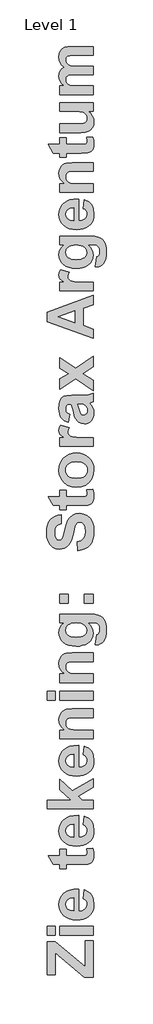
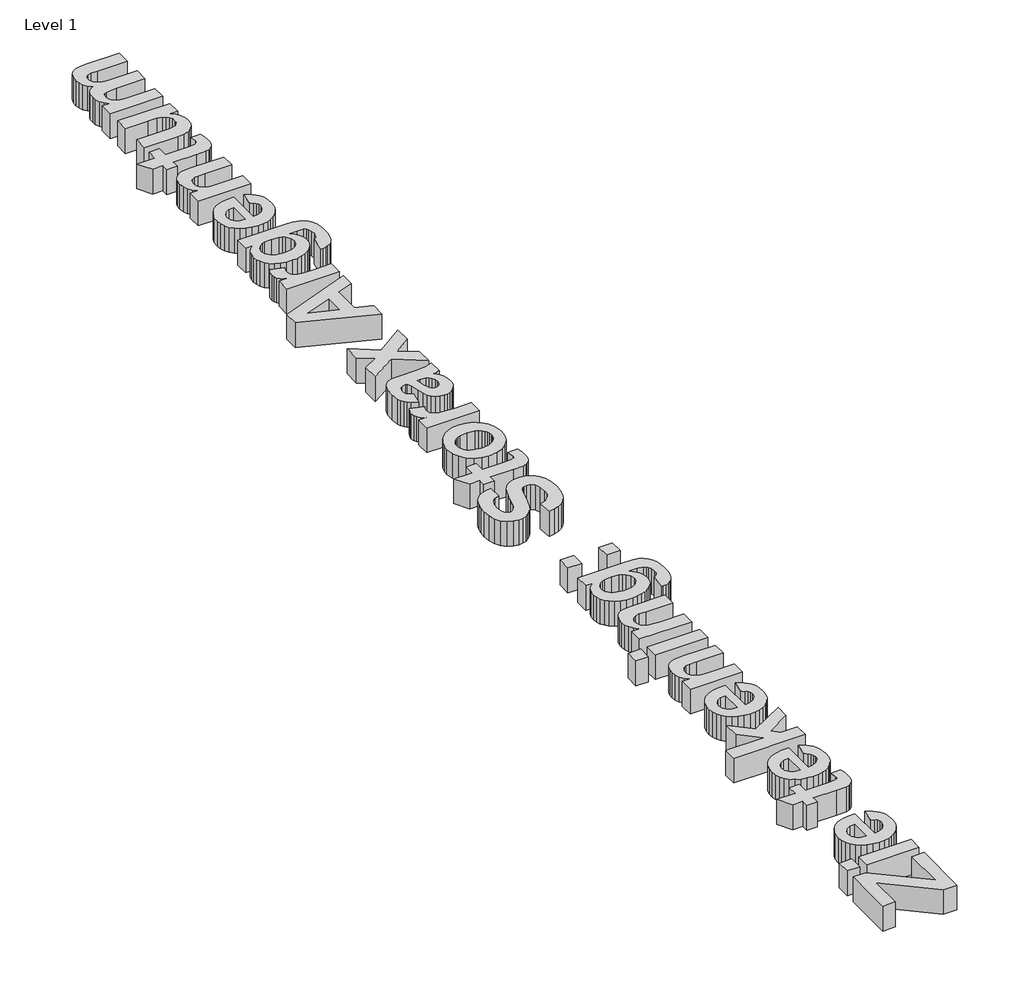
# One storey, part 7 of 13: 1 proxy.
"""IFC4 building model written with IfcOpenShell, lengths in millimetres."""

from ifc_helpers import new_model, si_unit, origin, origin_with_axes, place, context, project, spatial, polyline, outline, extrude, element, save

model = new_model("IFC4")

# Units and contexts
model_context = context("Model", 3, world=origin())
ifc_project = project(units=[si_unit("LENGTHUNIT", "METRE", prefix="MILLI")], contexts=[model_context])

# Site, building, storey
site = spatial("IfcSite", under=ifc_project)
building = spatial("IfcBuilding", under=site)
storey = spatial("IfcBuildingStorey", under=building, Name="Level 1", Elevation=0.0)

# Proxy
placement = place(None, origin())
element("IfcBuildingElementProxy", 1, Name="400mm", ObjectType="400mm", at=placement, inside=storey, context=model_context, shape_type="SweptSolid", body=[
    extrude(outline(polyline([(22173.6643168, -6913.9641128), (22095.9302673, -6913.9641128), (21836.8167689, -6695.2358823), (21836.8167689, -6888.0527629), (21765.5605568, -6888.0527629), (21765.5605568, -6596.5500772), (21836.8167689, -6596.5500772), (22102.4081047, -6820.7439831), (22102.4081047, -6590.0722398), (22173.6643168, -6590.0722398), (22173.6643168, -6913.9641128)])), origin_with_axes(), (0.0, 0.0, 1.0), 150.0),
    extrude(outline(polyline([(22173.6643168, -6538.2495401), (21875.6837936, -6538.2495401), (21875.6837936, -6460.5154906), (22173.6643168, -6460.5154906), (22173.6643168, -6538.2495401)])), origin_with_axes(), (0.0, 0.0, 1.0), 150.0),
    extrude(outline(polyline([(21836.8167689, -6538.2495401), (21765.5605568, -6538.2495401), (21765.5605568, -6460.5154906), (21836.8167689, -6460.5154906), (21836.8167689, -6538.2495401)])), origin_with_axes(), (0.0, 0.0, 1.0), 150.0),
    extrude(outline(polyline([(22082.9745924, -6214.3576671), (22095.9302673, -6136.6236176), (22132.2036266, -6155.5510489), (22146.6490777, -6168.2030752), (22158.6337096, -6182.9806419), (22168.0436541, -6199.8141629), (22174.7650431, -6218.634052), (22180.1421543, -6262.2329346), (22176.9728217, -6297.4371977), (22167.4648239, -6327.7451267), (22151.618161, -6353.1567215), (22129.4328329, -6373.6719821), (22107.8041939, -6386.1595321), (22083.5059775, -6395.0792106), (22056.5381834, -6400.4310177), (22026.9008118, -6402.2149534), (21991.9559152, -6399.8490245), (21961.0090589, -6392.7512378), (21934.0602429, -6380.9215932), (21911.1094672, -6364.3600908), (21892.7766811, -6344.1801088), (21879.6818339, -6321.4950257), (21871.8249256, -6296.3048414), (21869.2059562, -6268.6095558), (21871.8945118, -6237.8335019), (21879.9601785, -6210.4861471), (21893.4029564, -6186.5674914), (21912.2228456, -6166.0775348), (21936.5969742, -6149.7500948), (21966.7024708, -6138.3189891), (22002.5393352, -6131.7842175), (22044.1075676, -6130.1457801), (22044.1075676, -6324.4809039), (22076.8510116, -6319.4960056), (22101.3959426, -6306.1607698), (22116.7301985, -6286.499521), (22121.8416171, -6262.5365832), (22119.5389483, -6246.2154693), (22112.630942, -6232.6778012), (22100.611517, -6222.024795), (22082.9745924, -6214.3576671)]), holes=[polyline([(21998.7627054, -6207.8798296), (21968.0309335, -6212.6116875), (21945.6748031, -6225.1878016), (21932.0485707, -6243.4573276), (21927.5064933, -6265.2694209), (21932.2889592, -6288.2961087), (21946.6363571, -6306.9704995), (21969.2834841, -6319.217661), (21998.7627054, -6323.1650932), (21998.7627054, -6207.8798296)])]), origin_with_axes(), (0.0, 0.0, 1.0), 150.0),
    extrude(outline(polyline([(21875.6837936, -5773.8647198), (21933.9843308, -5773.8647198), (21933.9843308, -5832.165257), (22061.8204044, -5832.165257), (22107.0134423, -5830.3939733), (22117.6411444, -5822.3472846), (22121.8416171, -5807.0636368), (22114.3516175, -5770.6258011), (22169.6156684, -5767.3868824), (22177.5105328, -5797.3721847), (22180.1421543, -5831.0518786), (22178.3202625, -5851.7505936), (22172.8545871, -5870.3237682), (22164.5042498, -5885.4935478), (22154.028372, -5895.9820776), (22140.4400958, -5902.9027359), (22122.752563, -5907.3689012), (22066.1727014, -5909.8993065), (21933.9843308, -5909.8993065), (21933.9843308, -5948.7663312), (21875.6837936, -5948.7663312), (21875.6837936, -5909.8993065), (21817.3832565, -5909.8993065), (21772.0383943, -5832.165257), (21875.6837936, -5832.165257), (21875.6837936, -5773.8647198)])), origin_with_axes(), (0.0, 0.0, 1.0), 150.0),
    extrude(outline(polyline([(22082.9745924, -5560.0960836), (22095.9302673, -5482.3620341), (22132.2036266, -5501.2894654), (22146.6490777, -5513.9414917), (22158.6337096, -5528.7190584), (22168.0436541, -5545.5525794), (22174.7650431, -5564.3724685), (22180.1421543, -5607.9713511), (22176.9728217, -5643.1756143), (22167.4648239, -5673.4835432), (22151.618161, -5698.895138), (22129.4328329, -5719.4103987), (22107.8041939, -5731.8979486), (22083.5059775, -5740.8176271), (22056.5381834, -5746.1694343), (22026.9008118, -5747.95337), (21991.9559152, -5745.5874411), (21961.0090589, -5738.4896543), (21934.0602429, -5726.6600097), (21911.1094672, -5710.0985073), (21892.7766811, -5689.9185254), (21879.6818339, -5667.2334422), (21871.8249256, -5642.0432579), (21869.2059562, -5614.3479724), (21871.8945118, -5583.5719184), (21879.9601785, -5556.2245636), (21893.4029564, -5532.3059079), (21912.2228456, -5511.8159513), (21936.5969742, -5495.4885114), (21966.7024708, -5484.0574056), (22002.5393352, -5477.5226341), (22044.1075676, -5475.8841967), (22044.1075676, -5670.2193205), (22076.8510116, -5665.2344221), (22101.3959426, -5651.8991864), (22116.7301985, -5632.2379375), (22121.8416171, -5608.2749997), (22119.5389483, -5591.9538858), (22112.630942, -5578.4162177), (22100.611517, -5567.7632116), (22082.9745924, -5560.0960836)]), holes=[polyline([(21998.7627054, -5553.6182462), (21968.0309335, -5558.350104), (21945.6748031, -5570.9262181), (21932.0485707, -5589.1957441), (21927.5064933, -5611.0078374), (21932.2889592, -5634.0345253), (21946.6363571, -5652.7089161), (21969.2834841, -5664.9560775), (21998.7627054, -5668.9035097), (21998.7627054, -5553.6182462)])]), origin_with_axes(), (0.0, 0.0, 1.0), 150.0),
    extrude(outline(polyline([(22173.6643168, -5417.5836595), (21765.5605568, -5417.5836595), (21765.5605568, -5339.84961), (21980.6450037, -5339.84961), (21875.6837936, -5245.9209668), (21875.6837936, -5155.2312424), (21985.1997332, -5255.131642), (22173.6643168, -5148.7534049), (22173.6643168, -5226.4874544), (22040.1601354, -5305.1324499), (22078.2174305, -5339.84961), (22173.6643168, -5339.84961), (22173.6643168, -5417.5836595)])), origin_with_axes(), (0.0, 0.0, 1.0), 150.0),
    extrude(outline(polyline([(22082.9745924, -4938.2236875), (22095.9302673, -4860.4896379), (22132.2036266, -4879.4170693), (22146.6490777, -4892.0690956), (22158.6337096, -4906.8466623), (22168.0436541, -4923.6801832), (22174.7650431, -4942.5000724), (22180.1421543, -4986.0989549), (22176.9728217, -5021.3032181), (22167.4648239, -5051.6111471), (22151.618161, -5077.0227419), (22129.4328329, -5097.5380025), (22107.8041939, -5110.0255524), (22083.5059775, -5118.945231), (22056.5381834, -5124.2970381), (22026.9008118, -5126.0809738), (21991.9559152, -5123.7150449), (21961.0090589, -5116.6172581), (21934.0602429, -5104.7876136), (21911.1094672, -5088.2261112), (21892.7766811, -5068.0461292), (21879.6818339, -5045.3610461), (21871.8249256, -5020.1708617), (21869.2059562, -4992.4755762), (21871.8945118, -4961.6995222), (21879.9601785, -4934.3521674), (21893.4029564, -4910.4335117), (21912.2228456, -4889.9435551), (21936.5969742, -4873.6161152), (21966.7024708, -4862.1850095), (22002.5393352, -4855.6502379), (22044.1075676, -4854.0118005), (22044.1075676, -5048.3469243), (22076.8510116, -5043.3620259), (22101.3959426, -5030.0267902), (22116.7301985, -5010.3655414), (22121.8416171, -4986.4026036), (22119.5389483, -4970.0814897), (22112.630942, -4956.5438215), (22100.611517, -4945.8908154), (22082.9745924, -4938.2236875)]), holes=[polyline([(21998.7627054, -4931.74585), (21968.0309335, -4936.4777078), (21945.6748031, -4949.053822), (21932.0485707, -4967.3233479), (21927.5064933, -4989.1354413), (21932.2889592, -5012.1621291), (21946.6363571, -5030.8365199), (21969.2834841, -5043.0836814), (21998.7627054, -5047.0311136), (21998.7627054, -4931.74585)])]), origin_with_axes(), (0.0, 0.0, 1.0), 150.0),
    extrude(outline(polyline([(22173.6643168, -4530.1199275), (22173.6643168, -4607.853977), (22020.5241906, -4607.853977), (21980.4425713, -4609.0685715), (21957.5677078, -4612.7123551), (21944.8903774, -4619.1142804), (21935.4013577, -4628.6033001), (21929.4802094, -4640.7239413), (21927.5064933, -4655.020731), (21930.3278952, -4673.8342941), (21938.7921008, -4690.5982289), (21951.924904, -4703.8575525), (21968.752099, -4712.1572817), (21995.3340062, -4716.5222308), (22037.7309463, -4717.9772138), (22173.6643168, -4717.9772138), (22173.6643168, -4795.7112633), (21875.6837936, -4795.7112633), (21875.6837936, -4717.9772138), (21918.5994668, -4717.9772138), (21896.9898059, -4698.309639), (21881.5543338, -4676.2508311), (21872.2930506, -4651.8007903), (21869.2059562, -4624.9595165), (21871.5592331, -4601.3255314), (21878.6190637, -4579.8170867), (21889.322678, -4561.8512094), (21902.6073056, -4548.8449264), (21918.1566459, -4539.9252479), (21935.6543982, -4534.219184), (21988.6410843, -4530.1199275), (22173.6643168, -4530.1199275)])), origin_with_axes(), (0.0, 0.0, 1.0), 150.0),
    extrude(outline(polyline([(22173.6643168, -4452.385878), (21875.6837936, -4452.385878), (21875.6837936, -4374.6518284), (22173.6643168, -4374.6518284), (22173.6643168, -4452.385878)])), origin_with_axes(), (0.0, 0.0, 1.0), 150.0),
    extrude(outline(polyline([(21836.8167689, -4452.385878), (21765.5605568, -4452.385878), (21765.5605568, -4374.6518284), (21836.8167689, -4374.6518284), (21836.8167689, -4452.385878)])), origin_with_axes(), (0.0, 0.0, 1.0), 150.0),
    extrude(outline(polyline([(22173.6643168, -4031.3264431), (22173.6643168, -4109.0604926), (22020.5241906, -4109.0604926), (21980.4425713, -4110.2750871), (21957.5677078, -4113.9188707), (21944.8903774, -4120.320796), (21935.4013577, -4129.8098157), (21929.4802094, -4141.9304569), (21927.5064933, -4156.2272466), (21930.3278952, -4175.0408097), (21938.7921008, -4191.8047445), (21951.924904, -4205.0640681), (21968.752099, -4213.3637973), (21995.3340062, -4217.7287464), (22037.7309463, -4219.1837294), (22173.6643168, -4219.1837294), (22173.6643168, -4296.9177789), (21875.6837936, -4296.9177789), (21875.6837936, -4219.1837294), (21918.5994668, -4219.1837294), (21896.9898059, -4199.5161545), (21881.5543338, -4177.4573467), (21872.2930506, -4153.0073059), (21869.2059562, -4126.1660321), (21871.5592331, -4102.532047), (21878.6190637, -4081.0236023), (21889.322678, -4063.057725), (21902.6073056, -4050.051442), (21918.1566459, -4041.1317634), (21935.6543982, -4035.4256996), (21988.6410843, -4031.3264431), (22173.6643168, -4031.3264431)])), origin_with_axes(), (0.0, 0.0, 1.0), 150.0),
    extrude(outline(polyline([(22193.0978292, -3960.070231), (22206.0535041, -3869.3805066), (22217.4909359, -3865.9138514), (22224.6772868, -3859.7649666), (22230.1429621, -3846.2779066), (22231.9648539, -3826.8696982), (22229.6621851, -3801.71747), (22222.7541788, -3783.7515926), (22214.682186, -3775.3000391), (22202.8145854, -3769.1764583), (22166.5791821, -3765.7351072), (22123.1574278, -3765.7351072), (22145.2541918, -3785.7822429), (22161.0375946, -3807.4614899), (22170.5076362, -3830.7728483), (22173.6643168, -3855.7163182), (22170.4949842, -3882.9624568), (22160.9869864, -3907.2100652), (22145.1403235, -3928.4591433), (22122.9549954, -3946.7096912), (22101.6869392, -3958.2230352), (22077.9643899, -3966.4468522), (22051.7873475, -3971.3811425), (22023.1558121, -3973.0259059), (21987.9167558, -3970.8718984), (21957.0995828, -3964.409876), (21930.704293, -3953.6398386), (21908.7308863, -3938.5617863), (21891.4387294, -3920.2764453), (21879.0871887, -3899.8845419), (21871.6762643, -3877.3860762), (21869.2059562, -3852.7810481), (21872.1349003, -3827.5276036), (21880.9217325, -3804.602132), (21895.5664529, -3784.0046332), (21916.0690615, -3765.7351072), (21875.6837936, -3765.7351072), (21875.6837936, -3688.0010577), (22140.3641836, -3688.0010577), (22185.9241303, -3690.1139461), (22218.3512736, -3696.4526112), (22241.4159176, -3706.5995363), (22258.8883659, -3720.1372045), (22271.9832131, -3737.9259534), (22281.9150537, -3760.826121), (22288.1778067, -3789.6600889), (22290.2653911, -3825.2502389), (22288.7091918, -3859.3664278), (22284.0405941, -3888.1308095), (22276.259598, -3911.5433842), (22265.3662033, -3929.6041517), (22252.0815757, -3943.0659077), (22237.1268807, -3952.6814476), (22220.5021181, -3958.4507716), (22202.2072881, -3960.3738796), (22193.0978292, -3960.070231)]), holes=[polyline([(22020.220542, -3895.2918564), (22062.9843908, -3890.8003871), (22079.3940689, -3885.1860504), (22092.4889161, -3877.3259791), (22109.6450638, -3857.2472133), (22115.3637797, -3832.9426708), (22109.4932395, -3806.8921487), (22091.8816189, -3785.2192277), (22078.7298375, -3776.694925), (22062.7566543, -3770.6061373), (22022.3460824, -3765.7351072), (21980.3793112, -3770.4037049), (21964.0550343, -3776.239452), (21950.8368298, -3784.409498), (21933.3390774, -3805.5510339), (21927.5064933, -3831.6268601), (21933.2252092, -3856.9182607), (21950.3813568, -3877.3259791), (21963.3243797, -3885.1860504), (21979.2785849, -3890.8003871), (22020.220542, -3895.2918564)])]), origin_with_axes(), (0.0, 0.0, 1.0), 150.0),
    extrude(outline(polyline([(21953.4178431, -3590.8334958), (21875.6837936, -3590.8334958), (21875.6837936, -3513.0994463), (21953.4178431, -3513.0994463), (21953.4178431, -3590.8334958)])), origin_with_axes(), (0.0, 0.0, 1.0), 150.0),
    extrude(outline(polyline([(22173.6643168, -3590.8334958), (22095.9302673, -3590.8334958), (22095.9302673, -3513.0994463), (22173.6643168, -3513.0994463), (22173.6643168, -3590.8334958)])), origin_with_axes(), (0.0, 0.0, 1.0), 150.0),
    extrude(outline(polyline([(22037.6297301, -3124.4291987), (22031.1518927, -3046.6951491), (22065.9196609, -3035.3589336), (22090.0597271, -3016.330286), (22104.1793884, -2989.4826863), (22108.8859422, -2954.689614), (22104.7234255, -2918.5807309), (22092.2358756, -2892.644077), (22074.1814341, -2877.0061725), (22053.3182427, -2871.7935377), (22040.0968753, -2873.9570342), (22028.9757441, -2880.4475237), (22019.5752886, -2892.3530804), (22011.5159479, -2910.7617787), (21994.2079759, -2978.1717748), (21976.3180107, -3035.7131903), (21965.873763, -3056.9306384), (21954.4300053, -3073.11258), (21936.7108424, -3089.8954929), (21917.1571358, -3101.8832878), (21895.7688854, -3109.0759648), (21872.5460911, -3111.4735237), (21842.4848766, -3107.0706186), (21814.4479864, -3093.8619031), (21790.6368729, -3072.3534584), (21773.2529888, -3043.0513656), (21762.6252867, -3006.4364015), (21759.0827193, -2962.9893432), (21761.2904979, -2927.0480995), (21767.9138337, -2895.8450397), (21778.9527266, -2869.3801637), (21794.4071767, -2847.6534716), (21813.5433665, -2830.5953771), (21835.6274784, -2818.1362942), (21860.6595124, -2810.2762229), (21888.6394685, -2807.0151631), (21888.6394685, -2884.7492126), (21861.9310411, -2893.3399385), (21843.9525117, -2908.1807653), (21833.7423265, -2930.638112), (21830.3389314, -2962.0783973), (21833.9574109, -2995.1760981), (21844.8128495, -3020.176502), (21855.6935921, -3030.3487312), (21869.7120372, -3033.7394742), (21882.9460567, -3030.6523798), (21894.1051439, -3021.3910966), (21907.1746871, -2994.5055407), (21920.6743991, -2945.2258983), (21934.7181483, -2892.631425), (21949.4198028, -2855.8013765), (21967.2212038, -2829.9912429), (21990.5641923, -2810.4565143), (22019.739765, -2798.1587447), (22055.0389183, -2794.0594882), (22088.7439163, -2798.9052143), (22120.2221577, -2813.4423925), (22146.6901967, -2836.8486411), (22165.3645875, -2868.3015785), (22176.4477626, -2908.1428092), (22180.1421543, -2956.7139382), (22177.8679525, -2993.0379056), (22171.0453473, -3024.8830558), (22159.6743387, -3052.2493887), (22143.7549266, -3075.1369042), (22123.4768915, -3093.7037528), (22099.0300137, -3108.1080847), (22070.4142933, -3118.3499), (22037.6297301, -3124.4291987)])), origin_with_axes(), (0.0, 0.0, 1.0), 150.0),
    extrude(outline(polyline([(21875.6837936, -2586.7686895), (21933.9843308, -2586.7686895), (21933.9843308, -2645.0692266), (22061.8204044, -2645.0692266), (22107.0134423, -2643.2979429), (22117.6411444, -2635.2512542), (22121.8416171, -2619.9676065), (22114.3516175, -2583.5297707), (22169.6156684, -2580.290852), (22177.5105328, -2610.2761543), (22180.1421543, -2643.9558483), (22178.3202625, -2664.6545633), (22172.8545871, -2683.2277379), (22164.5042498, -2698.3975174), (22154.028372, -2708.8860472), (22140.4400958, -2715.8067056), (22122.752563, -2720.2728709), (22066.1727014, -2722.8032761), (21933.9843308, -2722.8032761), (21933.9843308, -2761.6703009), (21875.6837936, -2761.6703009), (21875.6837936, -2722.8032761), (21817.3832565, -2722.8032761), (21772.0383943, -2645.0692266), (21875.6837936, -2645.0692266), (21875.6837936, -2586.7686895)])), origin_with_axes(), (0.0, 0.0, 1.0), 150.0),
    extrude(outline(polyline([(22020.4229744, -2560.8573396), (21981.8722503, -2556.0622217), (21944.5614247, -2541.6768678), (21912.2101935, -2518.5110076), (21888.5382523, -2487.3743709), (21874.0390302, -2450.2027177), (21869.2059562, -2408.931808), (21871.9451199, -2376.9443225), (21880.1626109, -2347.9869973), (21893.8584294, -2322.0598324), (21913.0325752, -2299.1628279), (21936.3945418, -2280.453644), (21962.6538223, -2267.0899412), (21991.8104169, -2259.0717196), (22023.8643255, -2256.398979), (22056.1744377, -2259.1001866), (22085.5935618, -2267.2038095), (22112.1216979, -2280.7098475), (22135.758846, -2299.6183008), (22155.1765434, -2322.6196846), (22169.0463272, -2348.4045142), (22177.3681975, -2376.9727895), (22180.1421543, -2408.3245107), (22175.5241647, -2447.9633091), (22161.6701959, -2485.7043035), (22138.8838965, -2518.0934908), (22107.4689152, -2541.6768678), (22067.8427689, -2556.0622217), (22020.4229744, -2560.8573396)]), holes=[polyline([(22024.6740552, -2483.1232901), (22066.2359616, -2477.7461789), (22082.8891912, -2471.02479), (22096.7906051, -2461.6148454), (22107.7504228, -2450.2311848), (22115.5788641, -2437.5886475), (22120.2759289, -2423.6872336), (22121.8416171, -2408.5269431), (22120.2759289, -2393.3729786), (22115.5788641, -2379.4905428), (22107.7504228, -2366.8796356), (22096.7906051, -2355.540257), (22082.8512351, -2346.1745945), (22066.0841373, -2339.4848356), (22024.0667579, -2334.1330285), (21982.9603245, -2339.4848356), (21966.4209632, -2346.1745945), (21952.5575054, -2355.540257), (21941.5976876, -2366.8796356), (21933.7692463, -2379.4905428), (21929.0721816, -2393.3729786), (21927.5064933, -2408.5269431), (21929.0721816, -2423.6872336), (21933.7692463, -2437.5886475), (21941.5976876, -2450.2311848), (21952.5575054, -2461.6148454), (21966.4589192, -2471.02479), (21983.1121489, -2477.7461789), (22024.6740552, -2483.1232901)])]), origin_with_axes(), (0.0, 0.0, 1.0), 150.0),
    extrude(outline(polyline([(22173.6643168, -2120.3643923), (22173.6643168, -2198.0984419), (21875.6837936, -2198.0984419), (21875.6837936, -2120.3643923), (21917.1824399, -2120.3643923), (21892.7766811, -2103.9420622), (21878.4672394, -2089.2910158), (21871.521277, -2074.5640572), (21869.2059562, -2057.9139906), (21873.3052127, -2033.6474042), (21885.6029822, -2010.2411555), (21959.592032, -2032.9135866), (21950.1030123, -2051.6385855), (21946.9400057, -2068.9465575), (21949.1541103, -2083.8886006), (21955.7964241, -2096.3255424), (21968.2080619, -2106.3206432), (21987.7301384, -2113.937163), (22023.4594607, -2118.757585), (22084.4928355, -2120.3643923), (22173.6643168, -2120.3643923)])), origin_with_axes(), (0.0, 0.0, 1.0), 150.0),
    extrude(outline(polyline([(21966.3735181, -1913.0735936), (21953.4178431, -1984.3298057), (21916.0690615, -1968.8816816), (21901.5698394, -1958.0736881), (21889.8540631, -1945.2097404), (21880.8205163, -1929.638259), (21874.3679829, -1910.7076647), (21869.2059562, -1862.7691371), (21872.3310067, -1819.423295), (21881.7061581, -1788.7800874), (21895.8764276, -1768.0813724), (21913.386832, -1754.5690083), (21940.6013405, -1747.1296168), (21983.8839225, -1744.6498197), (22075.7882414, -1744.6498197), (22133.6839137, -1740.5505631), (22173.6643168, -1725.2163073), (22173.6643168, -1802.9503568), (22148.9675615, -1810.2379239), (22139.1495891, -1812.9707616), (22157.0522063, -1833.0874834), (22169.8687089, -1854.5706241), (22177.5737929, -1877.4707916), (22180.1421543, -1901.8385943), (22178.582792, -1922.8314689), (22173.9047053, -1941.4773926), (22166.1078941, -1957.7763655), (22155.1923584, -1971.7283875), (22141.8982418, -1982.9096157), (22126.9656878, -1990.8962073), (22110.3946963, -1995.6881623), (22092.1852675, -1997.2854806), (22068.34885, -1994.4387747), (22047.2452701, -1985.8986569), (22029.8107779, -1972.2218165), (22016.9816232, -1953.9649426), (22007.1383468, -1928.8886265), (21998.6614892, -1894.7534596), (21988.6663884, -1850.5472797), (21979.329193, -1822.3838692), (21971.13068, -1822.3838692), (21950.938046, -1824.8004062), (21937.5268981, -1832.0500173), (21930.0115945, -1845.9798982), (21927.5064933, -1868.4372449), (21929.6573378, -1884.5559264), (21936.1098712, -1896.6765676), (21947.9774718, -1905.8366346), (21966.3735181, -1913.0735936)]), holes=[polyline([(22037.6297301, -1822.3838692), (22048.4092565, -1866.2104883), (22060.7070261, -1905.4823779), (22071.7648971, -1916.0341678), (22085.5049976, -1919.5514311), (22099.2830542, -1916.7300292), (22111.0620907, -1908.2658236), (22119.1467355, -1895.449321), (22121.8416171, -1879.571028), (22118.7039146, -1860.5170764), (22109.290807, -1842.4246788), (22098.7137131, -1831.5439362), (22086.0110787, -1825.2179231), (22051.6987834, -1822.3838692), (22037.6297301, -1822.3838692)])]), origin_with_axes(), (0.0, 0.0, 1.0), 150.0),
    extrude(outline(polyline([(22173.6643168, -1702.5438762), (22020.220542, -1597.2790174), (21875.6837936, -1689.5882013), (21875.6837936, -1597.1778012), (21957.5677078, -1552.2378039), (21875.6837936, -1503.4515905), (21875.6837936, -1411.0411905), (22016.7791908, -1506.083212), (22173.6643168, -1398.0855156), (22173.6643168, -1490.4959156), (22081.355133, -1552.2378039), (22173.6643168, -1610.1334762), (22173.6643168, -1702.5438762)])), origin_with_axes(), (0.0, 0.0, 1.0), 150.0),
    extrude(outline(polyline([(22173.6643168, -857.1860876), (22173.6643168, -938.8675694), (22082.9745924, -970.8518918), (22082.9745924, -1125.0041801), (22173.6643168, -1156.5836377), (22173.6643168, -1239.3784978), (21765.5605568, -1090.3882362), (21765.5605568, -1007.5933762), (22173.6643168, -857.1860876)]), holes=[polyline([(22011.7183803, -995.7510796), (21862.7281187, -1048.2822927), (22011.7183803, -1100.1049924), (22011.7183803, -995.7510796)])]), origin_with_axes(), (0.0, 0.0, 1.0), 150.0),
    extrude(outline(polyline([(22173.6643168, -740.5850134), (22173.6643168, -818.3190629), (21875.6837936, -818.3190629), (21875.6837936, -740.5850134), (21917.1824399, -740.5850134), (21892.7766811, -724.1626832), (21878.4672394, -709.5116368), (21871.521277, -694.7846782), (21869.2059562, -678.1346116), (21873.3052127, -653.8680252), (21885.6029822, -630.4617765), (21959.592032, -653.1342076), (21950.1030123, -671.8592066), (21946.9400057, -689.1671785), (21949.1541103, -704.1092216), (21955.7964241, -716.5461634), (21968.2080619, -726.5412642), (21987.7301384, -734.157784), (22023.4594607, -738.978206), (22084.4928355, -740.5850134), (22173.6643168, -740.5850134)])), origin_with_axes(), (0.0, 0.0, 1.0), 150.0),
    extrude(outline(polyline([(22193.0978292, -604.5504267), (22206.0535041, -513.8607023), (22217.4909359, -510.3940471), (22224.6772868, -504.2451623), (22230.1429621, -490.7581023), (22231.9648539, -471.3498939), (22229.6621851, -446.1976657), (22222.7541788, -428.2317883), (22214.682186, -419.7802348), (22202.8145854, -413.656654), (22166.5791821, -410.2153029), (22123.1574278, -410.2153029), (22145.2541918, -430.2624386), (22161.0375946, -451.9416856), (22170.5076362, -475.253044), (22173.6643168, -500.1965139), (22170.4949842, -527.4426525), (22160.9869864, -551.6902609), (22145.1403235, -572.939339), (22122.9549954, -591.1898869), (22101.6869392, -602.7032309), (22077.9643899, -610.9270479), (22051.7873475, -615.8613382), (22023.1558121, -617.5061016), (21987.9167558, -615.3520941), (21957.0995828, -608.8900717), (21930.704293, -598.1200343), (21908.7308863, -583.041982), (21891.4387294, -564.756641), (21879.0871887, -544.3647376), (21871.6762643, -521.8662719), (21869.2059562, -497.2612438), (21872.1349003, -472.0077993), (21880.9217325, -449.0823277), (21895.5664529, -428.4848289), (21916.0690615, -410.2153029), (21875.6837936, -410.2153029), (21875.6837936, -332.4812534), (22140.3641836, -332.4812534), (22185.9241303, -334.5941418), (22218.3512736, -340.9328069), (22241.4159176, -351.079732), (22258.8883659, -364.6174001), (22271.9832131, -382.4061491), (22281.9150537, -405.3063167), (22288.1778067, -434.1402846), (22290.2653911, -469.7304346), (22288.7091918, -503.8466234), (22284.0405941, -532.6110052), (22276.259598, -556.0235799), (22265.3662033, -574.0843474), (22252.0815757, -587.5461034), (22237.1268807, -597.1616433), (22220.5021181, -602.9309673), (22202.2072881, -604.8540753), (22193.0978292, -604.5504267)]), holes=[polyline([(22020.220542, -539.7720521), (22062.9843908, -535.2805828), (22079.3940689, -529.6662461), (22092.4889161, -521.8061748), (22109.6450638, -501.727409), (22115.3637797, -477.4228665), (22109.4932395, -451.3723444), (22091.8816189, -429.6994234), (22078.7298375, -421.1751207), (22062.7566543, -415.086333), (22022.3460824, -410.2153029), (21980.3793112, -414.8839006), (21964.0550343, -420.7196477), (21950.8368298, -428.8896937), (21933.3390774, -450.0312296), (21927.5064933, -476.1070558), (21933.2252092, -501.3984564), (21950.3813568, -521.8061748), (21963.3243797, -529.6662461), (21979.2785849, -535.2805828), (22020.220542, -539.7720521)])]), origin_with_axes(), (0.0, 0.0, 1.0), 150.0),
    extrude(outline(polyline([(22082.9745924, -86.3234299), (22095.9302673, -8.5893804), (22132.2036266, -27.5168117), (22146.6490777, -40.168838), (22158.6337096, -54.9464047), (22168.0436541, -71.7799257), (22174.7650431, -90.5998148), (22180.1421543, -134.1986974), (22176.9728217, -169.4029605), (22167.4648239, -199.7108895), (22151.618161, -225.1224843), (22129.4328329, -245.6377449), (22107.8041939, -258.1252949), (22083.5059775, -267.0449734), (22056.5381834, -272.3967805), (22026.9008118, -274.1807162), (21991.9559152, -271.8147873), (21961.0090589, -264.7170006), (21934.0602429, -252.887356), (21911.1094672, -236.3258536), (21892.7766811, -216.1458716), (21879.6818339, -193.4607885), (21871.8249256, -168.2706042), (21869.2059562, -140.5753186), (21871.8945118, -109.7992647), (21879.9601785, -82.4519098), (21893.4029564, -58.5332541), (21912.2228456, -38.0432976), (21936.5969742, -21.7158576), (21966.7024708, -10.2847519), (22002.5393352, -3.7499803), (22044.1075676, -2.1115429), (22044.1075676, -196.4466667), (22076.8510116, -191.4617684), (22101.3959426, -178.1265326), (22116.7301985, -158.4652838), (22121.8416171, -134.502346), (22119.5389483, -118.1812321), (22112.630942, -104.643564), (22100.611517, -93.9905578), (22082.9745924, -86.3234299)]), holes=[polyline([(21998.7627054, -79.8455924), (21968.0309335, -84.5774503), (21945.6748031, -97.1535644), (21932.0485707, -115.4230904), (21927.5064933, -137.2351837), (21932.2889592, -160.2618715), (21946.6363571, -178.9362623), (21969.2834841, -191.1834238), (21998.7627054, -195.130856), (21998.7627054, -79.8455924)])]), origin_with_axes(), (0.0, 0.0, 1.0), 150.0),
    extrude(outline(polyline([(22173.6643168, 321.7803301), (22173.6643168, 244.0462806), (22020.5241906, 244.0462806), (21980.4425713, 242.831686), (21957.5677078, 239.1879025), (21944.8903774, 232.7859772), (21935.4013577, 223.2969575), (21929.4802094, 211.1763163), (21927.5064933, 196.8795266), (21930.3278952, 178.0659635), (21938.7921008, 161.3020286), (21951.924904, 148.0427051), (21968.752099, 139.7429758), (21995.3340062, 135.3780268), (22037.7309463, 133.9230437), (22173.6643168, 133.9230437), (22173.6643168, 56.1889942), (21875.6837936, 56.1889942), (21875.6837936, 133.9230437), (21918.5994668, 133.9230437), (21896.9898059, 153.5906186), (21881.5543338, 175.6494264), (21872.2930506, 200.0994673), (21869.2059562, 226.940741), (21871.5592331, 250.5747261), (21878.6190637, 272.0831708), (21889.322678, 290.0490482), (21902.6073056, 303.0553312), (21918.1566459, 311.9750097), (21935.6543982, 317.6810736), (21988.6410843, 321.7803301), (22173.6643168, 321.7803301)])), origin_with_axes(), (0.0, 0.0, 1.0), 150.0),
    extrude(outline(polyline([(21875.6837936, 542.0268037), (21933.9843308, 542.0268037), (21933.9843308, 483.7262666), (22061.8204044, 483.7262666), (22107.0134423, 485.4975503), (22117.6411444, 493.544239), (22121.8416171, 508.8278867), (22114.3516175, 545.2657225), (22169.6156684, 548.5046412), (22177.5105328, 518.5193389), (22180.1421543, 484.8396449), (22178.3202625, 464.1409299), (22172.8545871, 445.5677553), (22164.5042498, 430.3979758), (22154.028372, 419.909446), (22140.4400958, 412.9887876), (22122.752563, 408.5226223), (22066.1727014, 405.9922171), (21933.9843308, 405.9922171), (21933.9843308, 367.1251923), (21875.6837936, 367.1251923), (21875.6837936, 405.9922171), (21817.3832565, 405.9922171), (21772.0383943, 483.7262666), (21875.6837936, 483.7262666), (21875.6837936, 542.0268037)])), origin_with_axes(), (0.0, 0.0, 1.0), 150.0),
    extrude(outline(polyline([(22173.6643168, 775.2289523), (22129.9389139, 775.2289523), (22150.8274093, 757.3263351), (22166.7310064, 734.5906439), (22176.7893673, 708.7172501), (22180.1421543, 681.4015253), (22176.8526274, 654.4021012), (22166.9840469, 630.2873391), (22151.156362, 610.7526105), (22129.989522, 597.493287), (22101.585723, 589.9020712), (22064.047161, 587.371666), (21875.6837936, 587.371666), (21875.6837936, 665.1057155), (22013.4390559, 665.1057155), (22064.4393738, 666.1558337), (22090.9200649, 669.3061882), (22103.6733074, 675.2526406), (22113.4912798, 684.6910522), (22119.7540328, 697.3810345), (22121.8416171, 713.0821992), (22119.0581713, 731.6933298), (22110.707834, 748.2548322), (22098.220284, 761.3370274), (22083.0252005, 769.5102364), (22054.5201852, 773.7992733), (22002.1028403, 775.2289523), (21875.6837936, 775.2289523), (21875.6837936, 852.9630018), (22173.6643168, 852.9630018), (22173.6643168, 775.2289523)])), origin_with_axes(), (0.0, 0.0, 1.0), 150.0),
    extrude(outline(polyline([(21875.6837936, 924.2192139), (21875.6837936, 1001.9532634), (21915.5629805, 1001.9532634), (21895.2817824, 1021.0894532), (21880.7952123, 1041.9589705), (21872.1032702, 1064.5618155), (21869.2059562, 1088.8979881), (21872.0526621, 1113.9363481), (21880.5927798, 1135.4068367), (21894.9022216, 1153.3347579), (21915.0568994, 1167.7454159), (21894.9022216, 1187.6470532), (21880.5927798, 1209.0922378), (21872.0526621, 1232.0556655), (21869.2059562, 1256.5120323), (21872.5334391, 1286.0418617), (21882.5158878, 1310.6627048), (21898.95087, 1330.0456091), (21921.6359531, 1343.8616218), (21946.5604449, 1349.7827701), (21983.2766252, 1351.7564862), (22173.6643168, 1351.7564862), (22173.6643168, 1274.0224367), (22002.1028403, 1274.0224367), (21965.38666, 1272.0487206), (21944.5108166, 1266.1275723), (21931.7575741, 1252.7164244), (21927.5064933, 1233.5359526), (21930.0495506, 1218.0119163), (21937.6787224, 1203.42413), (21950.2168805, 1191.2781848), (21967.4868964, 1183.0796717), (21992.816253, 1178.411074), (22029.5324333, 1176.8548748), (22173.6643168, 1176.8548748), (22173.6643168, 1099.1208253), (22009.187975, 1099.1208253), (21952.6587216, 1095.0721769), (21941.5755465, 1089.9228022), (21933.7312902, 1082.5719749), (21929.0626925, 1072.5895262), (21927.5064933, 1059.5452871), (21929.9736384, 1042.9205245), (21937.3750738, 1028.0670457), (21949.4451069, 1016.0729247), (21965.9180451, 1008.026236), (21990.7286687, 1003.4715065), (22027.8117577, 1001.9532634), (22173.6643168, 1001.9532634), (22173.6643168, 924.2192139), (21875.6837936, 924.2192139)])), origin_with_axes(), (0.0, 0.0, 1.0), 150.0),
])

save(model, "model.ifc")
